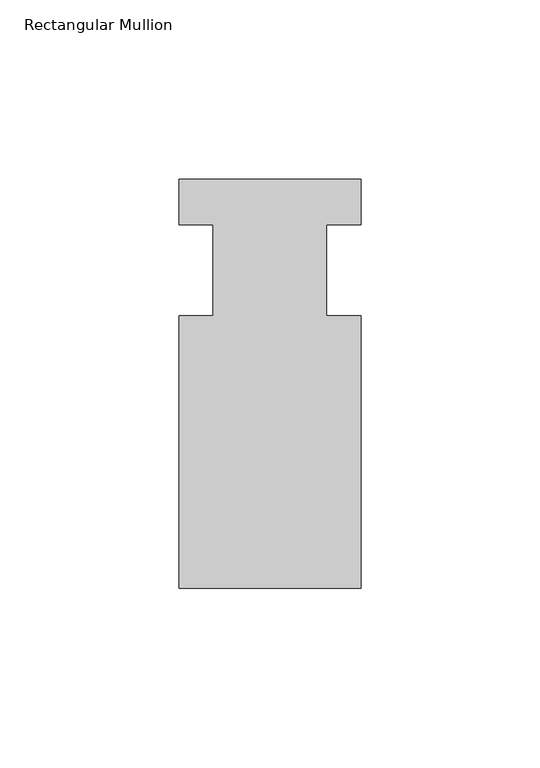
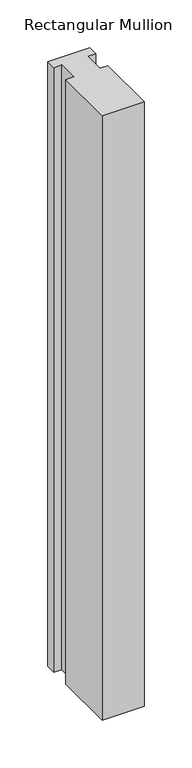
"""IFC4 building model written with IfcOpenShell, lengths in millimetres: member geometry, Rectangular Mullion."""

from ifc_helpers import new_model, si_unit, frame, origin, place, context, project, spatial, polyline, outline, extrude, source, transform, mapped, element, save


def rectangular_mullion_43b92efb(model_context):
    return source(origin(), model_context, "Body", "SweptSolid", [
        extrude(outline(polyline([(25.4, -101.6), (-25.4, -101.6), (-25.4, -25.4), (-15.875, -25.4), (-15.875, 0.0), (-25.4, 0.0), (-25.4, 12.7), (25.4, 12.7), (25.4, 0.0), (15.875, 0.0), (15.875, -25.4), (25.4, -25.4), (25.4, -101.6)])), frame((0.0, 0.0, -774.7), z_axis=(0.0, 0.0, 1.0), x_axis=(1.0, 0.0, 0.0)), (0.0, 0.0, 1.0), 774.7),
    ])


if __name__ == "__main__":
    model = new_model("IFC4")
    model_context = context("Model", 3, world=origin())
    ifc_project = project(units=[si_unit("LENGTHUNIT", "METRE", prefix="MILLI")], contexts=[model_context])
    site = spatial("IfcSite", under=ifc_project)
    building = spatial("IfcBuilding", under=site)
    placement = place(None, origin())
    rectangular_mullion_shape = rectangular_mullion_43b92efb(model_context)
    element("IfcMember", 1, ObjectType="Rectangular Mullion", at=placement, inside=building, context=model_context, shape_type="MappedRepresentation", body=[
        mapped(rectangular_mullion_shape, transform((0.0, 0.0, 0.0), x_axis=(1.0, 0.0, 0.0), y_axis=(0.0, 1.0, 0.0), z_axis=(0.0, 0.0, 1.0))),
    ])
    save(model, "model.ifc")
